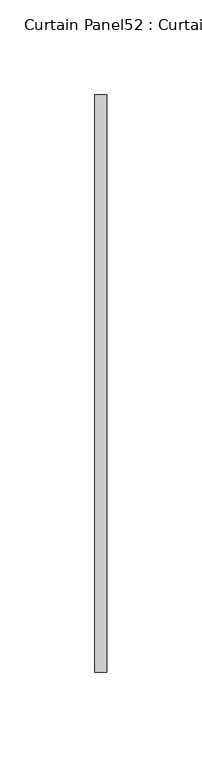
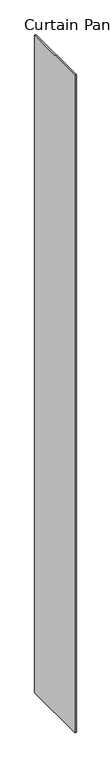
"""IFC4 building model written with IfcOpenShell, lengths in millimetres: plate geometry, Curtain Panel52 : Curtain Panel."""

from ifc_helpers import new_model, si_unit, origin, origin_with_axes, place, context, project, spatial, polyline, outline, extrude, source, transform, mapped, element, save


def curtain_panel52_curtain_panel_cff63ae6(model_context):
    return source(origin(), model_context, "Body", "SweptSolid", [
        extrude(outline(polyline([(272217.9302688, 2602.3596426), (272217.9302688, 2297.6372334), (272211.5802688, 2297.6372334), (272211.5802688, 2602.3596426), (272217.9302688, 2602.3596426)])), origin_with_axes(), (0.0, 0.0, 1.0), 3048.0),
    ])


if __name__ == "__main__":
    model = new_model("IFC4")
    model_context = context("Model", 3, world=origin())
    ifc_project = project(units=[si_unit("LENGTHUNIT", "METRE", prefix="MILLI")], contexts=[model_context])
    site = spatial("IfcSite", under=ifc_project)
    building = spatial("IfcBuilding", under=site)
    placement = place(None, origin())
    curtain_panel52_curtain_panel_shape = curtain_panel52_curtain_panel_cff63ae6(model_context)
    element("IfcPlate", 1, ObjectType="Curtain Panel52 : Curtain Panel", at=placement, inside=building, context=model_context, shape_type="MappedRepresentation", body=[
        mapped(curtain_panel52_curtain_panel_shape, transform((0.0, 0.0, 0.0), x_axis=(1.0, 0.0, 0.0), y_axis=(0.0, 1.0, 0.0), z_axis=(0.0, 0.0, 1.0))),
    ])
    save(model, "model.ifc")
